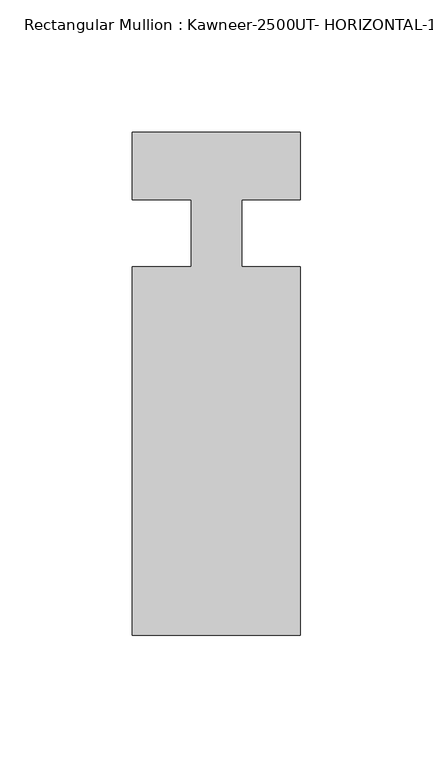
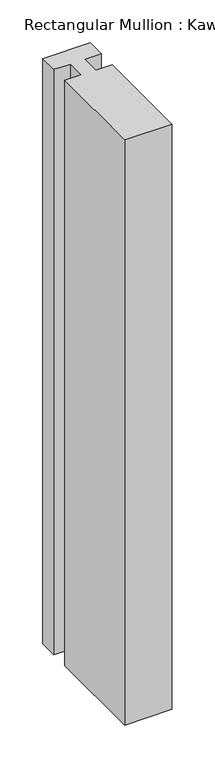
"""IFC4 building model written with IfcOpenShell, lengths in millimetres: member geometry, Rectangular Mullion : Kawneer-2500UT- HORIZONTAL-1 INCH INFILL-SET 6."""

from ifc_helpers import new_model, si_unit, point, frame, frame_2d, origin, place, context, project, spatial, polyline, circle_curve, trimmed, segment, composite_curve, outline, extrude, source, transform, mapped, element, save


def rectangular_mullion_kawneer_2500ut_horizontal_1_inch_infill_e328344e(model_context):
    return source(origin(), model_context, "Body", "SweptSolid", [
        extrude(outline(composite_curve([segment(polyline([(63.515875, -50.815875), (63.515875, -190.007875), (0.015875, -190.007875), (0.015875, -50.815875), (22.2407618, -50.815875), (22.2407618, -25.7335033)]), True, "CONTINUOUS"), segment(trimmed(circle_curve(frame_2d((4.3166268, -486.4236947)), 461.0387479), [point((22.2407618, -25.7335033))], [point((0.015875, -25.4050068))], True, "CARTESIAN"), True, "CONTINUOUS"), segment(polyline([(0.015875, -25.4050068), (0.015875, 0.0), (63.515875, 0.0), (63.515875, -25.4050068)]), True, "CONTINUOUS"), segment(trimmed(circle_curve(frame_2d((59.2151232, -486.4236947)), 461.0387479), [point((63.515875, -25.4050068))], [point((41.290875, -25.7335077))], True, "CARTESIAN"), True, "CONTINUOUS"), segment(polyline([(41.290875, -25.7335077), (41.290875, -50.815875), (63.515875, -50.815875)]), True, "CONTINUOUS")], self_intersect=False)), frame((0.0, 0.0, -831.6331251), z_axis=(0.0, 0.0, 1.0), x_axis=(1.0, 0.0, 0.0)), (0.0, 0.0, 1.0), 831.6331251),
    ])


if __name__ == "__main__":
    model = new_model("IFC4")
    model_context = context("Model", 3, world=origin())
    ifc_project = project(units=[si_unit("LENGTHUNIT", "METRE", prefix="MILLI")], contexts=[model_context])
    site = spatial("IfcSite", under=ifc_project)
    building = spatial("IfcBuilding", under=site)
    placement = place(None, origin())
    rectangular_mullion_kawneer_2500ut_horizontal_1_inch_infill_shape = rectangular_mullion_kawneer_2500ut_horizontal_1_inch_infill_e328344e(model_context)
    element("IfcMember", 1, ObjectType="Rectangular Mullion : Kawneer-2500UT- HORIZONTAL-1 INCH INFILL-SET 6", at=placement, inside=building, context=model_context, shape_type="MappedRepresentation", body=[
        mapped(rectangular_mullion_kawneer_2500ut_horizontal_1_inch_infill_shape, transform((0.0, 0.0, 0.0), x_axis=(1.0, 0.0, 0.0), y_axis=(0.0, 1.0, 0.0), z_axis=(0.0, 0.0, 1.0))),
    ])
    save(model, "model.ifc")
